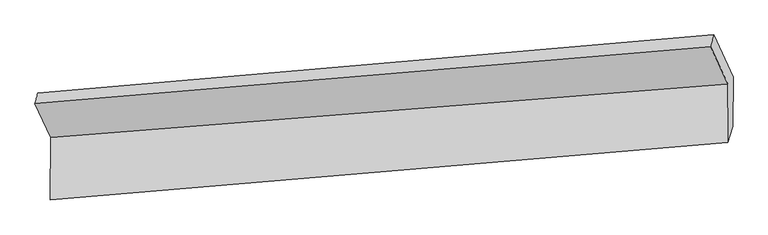
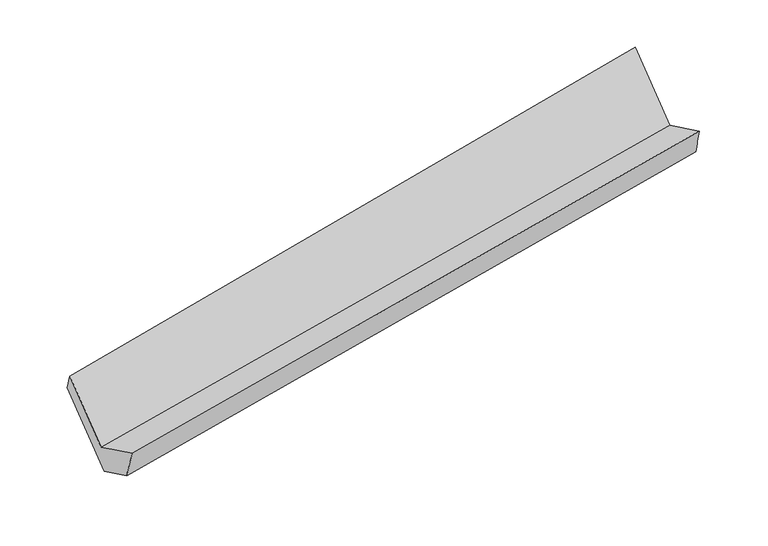
"""IFC4 building model written with IfcOpenShell, lengths in millimetres: proxy geometry."""

from ifc_helpers import new_model, si_unit, frame, origin, place, context, project, spatial, source, transform, mapped, element, save
from ifc_brep_helpers import plane_surface, spline_surface, advanced_brep


def generic_models_087bb9b2(model_context):
    return source(origin(), model_context, "Body", "AdvancedBrep", [
        advanced_brep(
        [(-5344.0099249, -1438.0378318, 1875.2653529), (-5232.745402, -1679.5309931, 1380.1480102), (-443.1932747, -1298.8380631, 2207.5964828), (-565.4801198, -1033.4215942, 2751.7621896), (-5234.7667366, -2118.8128496, 1593.953208), (-445.1052779, -1714.359727, 2409.8372315), (-5193.3254283, -1969.0268619, 1298.8758515), (-407.8909751, -1601.3704229, 2154.7912886), (-5191.8538522, -1649.2200025, 1143.220962), (-406.2779143, -1250.8157215, 1984.1709541), (-5323.0767176, -1364.4084224, 1727.1511734), (-544.5055386, -950.8007203, 2599.2717269)],
        [
            (0, 1),
            (1, 2),
            (2, 3),
            (3, 0),
            (1, 4),
            (4, 5),
            (5, 2),
            (4, 6),
            (6, 7),
            (7, 5),
            (6, 8),
            (8, 9),
            (9, 7),
            (8, 10),
            (10, 11),
            (11, 9),
            (10, 0),
            (3, 11),
        ],
        [
            plane_surface(frame((-5288.3776635, -1558.7844124, 1627.7066816), z_axis=(-0.004137379620263046, -0.8991464453393185, 0.4376283262353404), x_axis=(0.19798085561890416, -0.42970590663747305, -0.8809973976177647))),
            plane_surface(frame((-5233.7560693, -1899.1719213, 1487.0506091), z_axis=(-0.18677474940583638, 0.4306256591098218, 0.8829930547295481), x_axis=(-0.004137379620262964, -0.8991464453393171, 0.43762832623534365))),
            spline_surface(1, 1, [[(-5234.7667366, -2118.8128496, 1593.953208), (-445.1052779, -1714.359727, 2409.8372315)], [(-5193.3254283, -1969.0268619, 1298.8758515), (-407.8909751, -1601.3704229, 2154.7912886)]], [2, 2], [2, 2], [0.0, 1.0], [0.0, 1.0]),
            plane_surface(frame((-5192.5896403, -1809.1234322, 1221.0484068), z_axis=(0.19086201402868574, -0.43029692822793597, -0.8822790064137969), x_axis=(0.004137379620262844, 0.8991464453393174, -0.4376283262353431))),
            plane_surface(frame((-5257.4652849, -1506.8142125, 1435.1860677), z_axis=(0.002126743210899479, 0.8989743062327141, -0.43799620283368373), x_axis=(-0.19798085561890205, 0.42970590663746594, 0.8809973976177687))),
            spline_surface(1, 1, [[(-5323.0767176, -1364.4084224, 1727.1511734), (-544.5055386, -950.8007203, 2599.2717269)], [(-5344.0099249, -1438.0378318, 1875.2653529), (-565.4801198, -1033.4215942, 2751.7621896)]], [2, 2], [2, 2], [0.0, 1.0], [0.0, 1.0]),
            plane_surface(frame((-468.7421834, -1308.2677082, 2351.2383123), z_axis=(0.9801971551164008, 0.08299700979272977, 0.17979163903580234), x_axis=(-0.19798085561890205, 0.42970590663746594, 0.8809973976177687))),
            plane_surface(frame((-5253.2963436, -1703.1728269, 1503.1024264), z_axis=(-0.9801971551164013, -0.08299700979270686, -0.1797916390358108), x_axis=(0.12555513338781113, 0.44162130371313435, -0.8883729693021286))),
        ],
        [
            (0, [[1, 2, 3, 4]]),
            (1, [[5, 6, 7, -2]]),
            (2, [[8, 9, 10, -6]]),
            (3, [[11, 12, 13, -9]]),
            (4, [[14, 15, 16, -12]]),
            (5, [[17, -4, 18, -15]]),
            (6, [[-16, -18, -3, -7, -10, -13]]),
            (7, [[-17, -14, -11, -8, -5, -1]]),
        ],
    ),
    ])


if __name__ == "__main__":
    model = new_model("IFC4")
    model_context = context("Model", 3, world=origin())
    ifc_project = project(units=[si_unit("LENGTHUNIT", "METRE", prefix="MILLI")], contexts=[model_context])
    site = spatial("IfcSite", under=ifc_project)
    building = spatial("IfcBuilding", under=site)
    placement = place(None, origin())
    generic_models_shape = generic_models_087bb9b2(model_context)
    element("IfcBuildingElementProxy", 1, Name="Generic Models", at=placement, inside=building, context=model_context, shape_type="MappedRepresentation", body=[
        mapped(generic_models_shape, transform((0.0, 0.0, 0.0), x_axis=(1.0, 0.0, 0.0), y_axis=(0.0, 1.0, 0.0), z_axis=(0.0, 0.0, 1.0))),
    ])
    save(model, "model.ifc")
